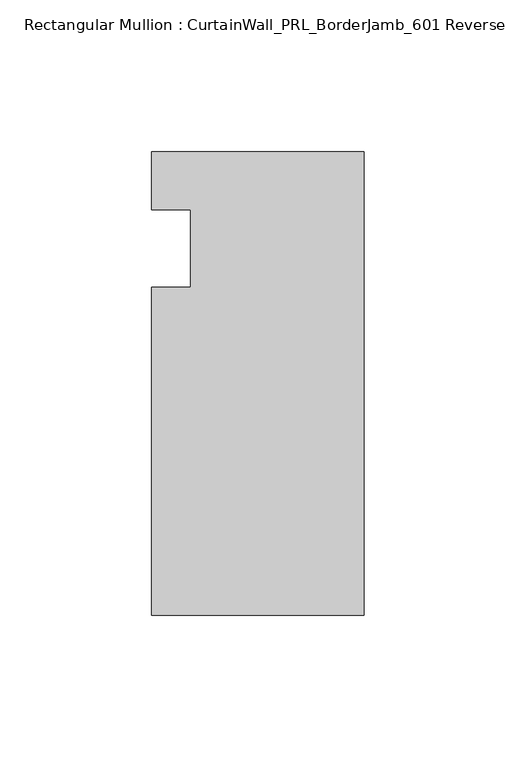
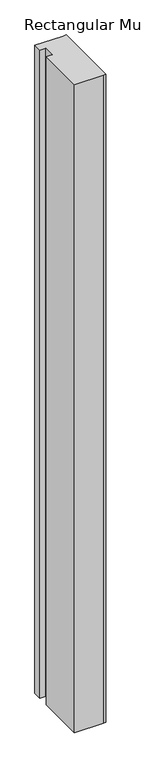
"""IFC4 building model written with IfcOpenShell, lengths in millimetres: member geometry, Rectangular Mullion : CurtainWall_PRL_BorderJamb_601 Reverse."""

from ifc_helpers import new_model, si_unit, frame, origin, place, context, project, spatial, polyline, outline, extrude, source, transform, mapped, element, save


def rectangular_mullion_curtainwall_prl_borderjamb_601_reverse_b478f2e2(model_context):
    return source(origin(), model_context, "Body", "SweptSolid", [
        extrude(outline(polyline([(-57.15, -12.7), (-57.15, 12.7), (-69.85, 12.7), (-69.85, 31.75), (-7.3958824, 31.75), (0.0, 31.75), (0.0, -120.65), (-6.35, -120.65), (-69.85, -120.65), (-69.85, -12.7), (-57.15, -12.7)])), frame((0.0, 0.0, -1524.0), z_axis=(0.0, 0.0, 1.0), x_axis=(1.0, 0.0, 0.0)), (0.0, 0.0, 1.0), 1524.0),
    ])


if __name__ == "__main__":
    model = new_model("IFC4")
    model_context = context("Model", 3, world=origin())
    ifc_project = project(units=[si_unit("LENGTHUNIT", "METRE", prefix="MILLI")], contexts=[model_context])
    site = spatial("IfcSite", under=ifc_project)
    building = spatial("IfcBuilding", under=site)
    placement = place(None, origin())
    rectangular_mullion_curtainwall_prl_borderjamb_601_reverse_shape = rectangular_mullion_curtainwall_prl_borderjamb_601_reverse_b478f2e2(model_context)
    element("IfcMember", 1, ObjectType="Rectangular Mullion : CurtainWall_PRL_BorderJamb_601 Reverse", at=placement, inside=building, context=model_context, shape_type="MappedRepresentation", body=[
        mapped(rectangular_mullion_curtainwall_prl_borderjamb_601_reverse_shape, transform((0.0, 0.0, 0.0), x_axis=(1.0, 0.0, 0.0), y_axis=(0.0, 1.0, 0.0), z_axis=(0.0, 0.0, 1.0))),
    ])
    save(model, "model.ifc")
